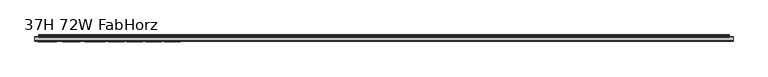
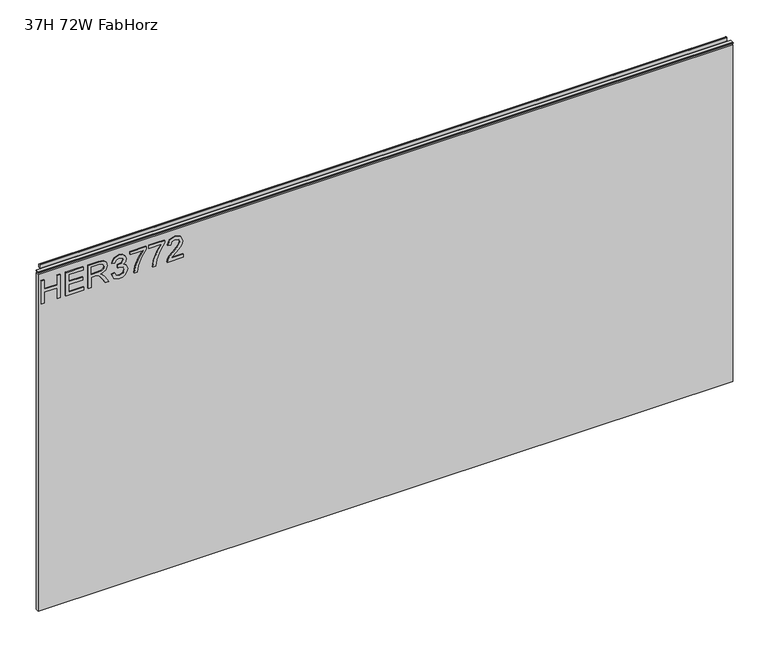
"""IFC4 building model written with IfcOpenShell, lengths in millimetres: furniture geometry, 37H 72W FabHorz."""

from ifc_helpers import new_model, si_unit, frame, origin, place, context, project, spatial, polyline, outline, extrude, source, transform, mapped, element, save


def furniture_37h_72w_fabhorz_d19134f7(model_context):
    return source(origin(), model_context, "Body", "SweptSolid", [
        extrude(outline(polyline([(951.4078, -291.2189953), (951.4078, -283.2452757), (981.3092486, -283.2452757), (981.3092486, -249.3569673), (951.4078, -249.3569673), (951.4078, -241.3832477), (1015.1975569, -241.3832477), (1015.1975569, -249.3569673), (989.2829682, -249.3569673), (989.2829682, -283.2452757), (1015.1975569, -283.2452757), (1015.1975569, -291.2189953), (951.4078, -291.2189953)])), frame((0.0, -5.5562439, 0.0), z_axis=(0.0, 1.0, 0.0), x_axis=(0.0, 0.0, 1.0)), (0.0, 0.0, 1.0), 2.38125),
        extrude(outline(polyline([(951.4078, -227.4292384), (951.4078, -180.5836356), (959.3815196, -180.5836356), (959.3815196, -219.4555188), (980.3125336, -219.4555188), (980.3125336, -183.5737805), (988.2862532, -183.5737805), (988.2862532, -219.4555188), (1007.2238373, -219.4555188), (1007.2238373, -181.5803506), (1015.1975569, -181.5803506), (1015.1975569, -227.4292384), (951.4078, -227.4292384)])), frame((0.0, -5.5562439, 0.0), z_axis=(0.0, 1.0, 0.0), x_axis=(0.0, 0.0, 1.0)), (0.0, 0.0, 1.0), 2.38125),
        extrude(outline(polyline([(951.4078, -168.6230562), (951.4078, -160.6493366), (979.3158187, -160.6493366), (979.3158187, -151.0248078), (979.0354926, -146.3994275), (977.5170596, -142.6072386), (973.38225, -138.3945605), (964.6298468, -132.3986972), (951.4078, -124.0979304), (951.4078, -114.8315961), (968.694575, -125.4684135), (976.9018996, -131.931487), (980.3125336, -136.4634253), (986.2461023, -123.1090023), (997.7394716, -118.7873086), (1007.3873609, -121.3958985), (1013.4766663, -128.3729032), (1015.1975569, -141.1355267), (1015.1975569, -168.6230562), (951.4078, -168.6230562)]), holes=[polyline([(987.2895383, -160.6493366), (1007.2238373, -160.6493366), (1007.2238373, -140.7929059), (1004.4672975, -130.132728), (997.4435719, -126.7610282), (992.0317211, -128.5286399), (988.4186294, -133.6990987), (987.2895383, -142.8019095), (987.2895383, -160.6493366)])]), frame((0.0, -5.5562439, 0.0), z_axis=(0.0, 1.0, 0.0), x_axis=(0.0, 0.0, 1.0)), (0.0, 0.0, 1.0), 2.38125),
        extrude(outline(polyline([(968.3519542, -107.8234441), (955.4102335, -101.48496), (950.411085, -87.4998033), (951.8750101, -78.9771118), (956.2667854, -72.0662952), (962.7610063, -67.4876359), (970.5322681, -65.9614161), (980.9043331, -69.0138557), (986.355118, -77.7039642), (991.6345925, -71.1630223), (998.9853653, -68.951561), (1007.0291664, -71.2798248), (1013.0094562, -78.0076507), (1015.1975569, -87.6243927), (1010.7590607, -100.301361), (998.2534028, -106.8267292), (997.2566878, -98.8530095), (1004.7320499, -94.9440181), (1007.2238373, -87.3440666), (1004.7554105, -79.8375571), (998.5181552, -76.9252806), (991.4788558, -80.9432877), (989.2829682, -91.2686317), (981.3092486, -92.156331), (982.1813742, -86.565383), (978.91869, -77.5015064), (970.6724312, -73.9351357), (961.920028, -77.5326538), (958.3848047, -87.2194772), (960.9544604, -95.4501624), (969.3486691, -99.8497245), (968.3519542, -107.8234441)])), frame((0.0, -5.5562439, 0.0), z_axis=(0.0, 1.0, 0.0), x_axis=(0.0, 0.0, 1.0)), (0.0, 0.0, 1.0), 2.38125),
        extrude(outline(polyline([(1006.2271224, -58.9844115), (1006.2271224, -25.0961031), (989.7268178, -37.1501245), (969.3953902, -45.8480199), (951.4078, -49.0172619), (951.4078, -41.0435423), (968.741296, -38.0845448), (990.5989434, -28.9973077), (1007.7533421, -17.1223835), (1014.200842, -17.1223835), (1014.200842, -58.9844115), (1006.2271224, -58.9844115)])), frame((0.0, -5.5562439, 0.0), z_axis=(0.0, 1.0, 0.0), x_axis=(0.0, 0.0, 1.0)), (0.0, 0.0, 1.0), 2.38125),
        extrude(outline(polyline([(1006.2271224, -10.1453788), (1006.2271224, 23.7429296), (989.7268178, 11.6889081), (969.3953902, 2.9910128), (951.4078, -0.1782293), (951.4078, 7.7954903), (968.741296, 10.7544879), (990.5989434, 19.841725), (1007.7533421, 31.7166492), (1014.200842, 31.7166492), (1014.200842, -10.1453788), (1006.2271224, -10.1453788)])), frame((0.0, -5.5562439, 0.0), z_axis=(0.0, 1.0, 0.0), x_axis=(0.0, 0.0, 1.0)), (0.0, 0.0, 1.0), 2.38125),
        extrude(outline(polyline([(959.3815196, 79.5589669), (959.3815196, 48.2403143), (963.4384609, 51.8378323), (971.108494, 61.0107246), (982.0334243, 72.4340124), (989.8514072, 77.1450479), (997.4124245, 78.562252), (1010.0893928, 73.306138), (1015.1975569, 59.0328684), (1010.603324, 44.8063198), (997.2566878, 38.6936539), (996.2599729, 46.6673735), (1004.3115608, 50.0234996), (1007.2238373, 58.861558), (1004.2414793, 67.3414219), (996.9296407, 70.5885323), (987.8969115, 67.146751), (974.61257, 53.3796257), (965.3695962, 43.3969025), (956.9053059, 38.5534908), (951.4078, 37.6969389), (951.4078, 79.5589669), (959.3815196, 79.5589669)])), frame((0.0, -5.5562439, 0.0), z_axis=(0.0, 1.0, 0.0), x_axis=(0.0, 0.0, 1.0)), (0.0, 0.0, 1.0), 2.38125),
        extrude(outline(polyline([(5.5562561, 1041.4), (6.3500061, 1041.4), (6.3500061, 1051.27425), (7.1437561, 1052.068), (8.6677569, 1052.068), (10.0084363, 1051.6506926), (10.875413, 1050.5461816), (10.9623604, 1049.1447591), (10.2390011, 1046.1863459), (10.4046103, 1044.9833307), (11.6746103, 1042.7836103), (10.7786383, 1042.2663244), (7.1437561, 1042.2663244), (7.1437561, 1041.4), (6.3500061, 1041.1669239), (6.3500061, 1033.9578), (5.5562561, 1033.9578), (5.5562561, 1041.4)])), frame((-288.671, 0.0, 0.0), z_axis=(1.0, 0.0, 0.0), x_axis=(0.0, 1.0, 0.0)), (0.0, 0.0, 1.0), 1796.542),
        extrude(outline(polyline([(5.5562561, 1041.4), (5.5562561, 1038.2249996), (-3.975094, 1038.2249996), (-5.3492339, 1039.0183657), (-5.3492339, 1040.6066395), (-3.9751037, 1041.4), (5.5562561, 1041.4)])), frame((-298.196, 0.0, 0.0), z_axis=(1.0, 0.0, 0.0), x_axis=(0.0, 1.0, 0.0)), (0.0, 0.0, 1.0), 1815.592),
        extrude(outline(polyline([(1517.396, 6.3500061), (1517.396, -3.1749939), (-298.196, -3.1749939), (-298.196, 6.3500061), (1517.396, 6.3500061)])), frame((0.0, 0.0, 102.4381927), z_axis=(0.0, 0.0, 1.0), x_axis=(1.0, 0.0, 0.0)), (0.0, 0.0, 1.0), 931.5196073),
    ])


if __name__ == "__main__":
    model = new_model("IFC4")
    model_context = context("Model", 3, world=origin())
    ifc_project = project(units=[si_unit("LENGTHUNIT", "METRE", prefix="MILLI")], contexts=[model_context])
    site = spatial("IfcSite", under=ifc_project)
    building = spatial("IfcBuilding", under=site)
    placement = place(None, origin())
    furniture_37h_72w_fabhorz_shape = furniture_37h_72w_fabhorz_d19134f7(model_context)
    element("IfcFurniture", 1, ObjectType="37H 72W FabHorz", at=placement, inside=building, context=model_context, shape_type="MappedRepresentation", body=[
        mapped(furniture_37h_72w_fabhorz_shape, transform((0.0, 0.0, 0.0), x_axis=(1.0, 0.0, 0.0), y_axis=(0.0, 1.0, 0.0), z_axis=(0.0, 0.0, 1.0))),
    ])
    save(model, "model.ifc")
